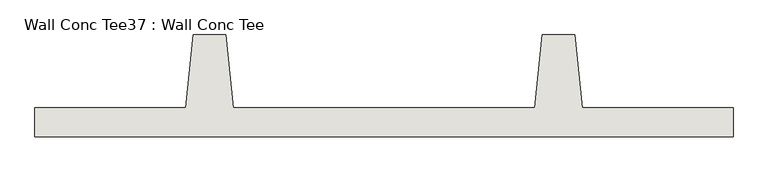
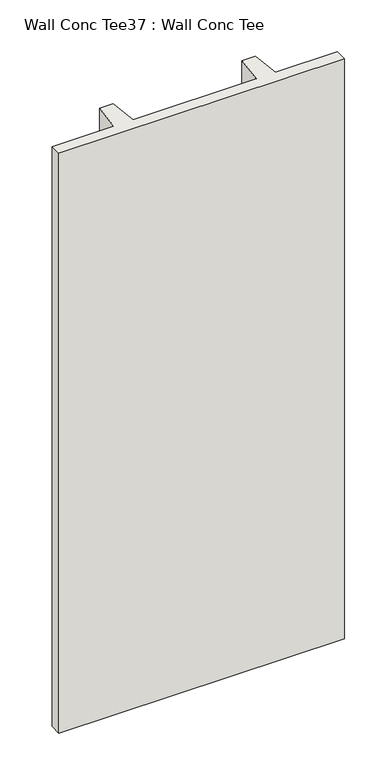
"""IFC4 building model written with IfcOpenShell, lengths in millimetres: wall geometry, Wall Conc Tee37 : Wall Conc Tee."""

from ifc_helpers import new_model, si_unit, frame, origin, place, context, project, spatial, polyline, outline, extrude, source, transform, mapped, element, save


def wall_conc_tee37_wall_conc_tee_13dda478(model_context):
    return source(origin(), model_context, "Body", "SweptSolid", [
        extrude(outline(polyline([(224803.4728488, 193104.2596581), (222365.0728488, 193104.2596581), (222365.0728488, 193205.8596581), (222892.1228488, 193205.8596581), (222917.5228488, 193459.8596581), (223031.8228488, 193459.8596581), (223057.2228488, 193205.8596581), (224111.3228488, 193205.8596581), (224136.7228488, 193459.8596581), (224251.0228488, 193459.8596581), (224276.4228488, 193205.8596581), (224803.4728488, 193205.8596581), (224803.4728488, 193104.2596581)])), frame((0.0, 0.0, 143.7592564), z_axis=(0.0, 0.0, 1.0), x_axis=(1.0, 0.0, 0.0)), (0.0, 0.0, 1.0), 5232.4087123),
    ])


if __name__ == "__main__":
    model = new_model("IFC4")
    model_context = context("Model", 3, world=origin())
    ifc_project = project(units=[si_unit("LENGTHUNIT", "METRE", prefix="MILLI")], contexts=[model_context])
    site = spatial("IfcSite", under=ifc_project)
    building = spatial("IfcBuilding", under=site)
    placement = place(None, origin())
    wall_conc_tee37_wall_conc_tee_shape = wall_conc_tee37_wall_conc_tee_13dda478(model_context)
    element("IfcWall", 1, ObjectType="Wall Conc Tee37 : Wall Conc Tee", at=placement, inside=building, context=model_context, shape_type="MappedRepresentation", body=[
        mapped(wall_conc_tee37_wall_conc_tee_shape, transform((0.0, 0.0, 0.0), x_axis=(1.0, 0.0, 0.0), y_axis=(0.0, 1.0, 0.0), z_axis=(0.0, 0.0, 1.0))),
    ])
    save(model, "model.ifc")
